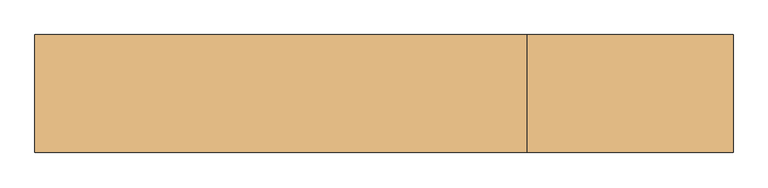
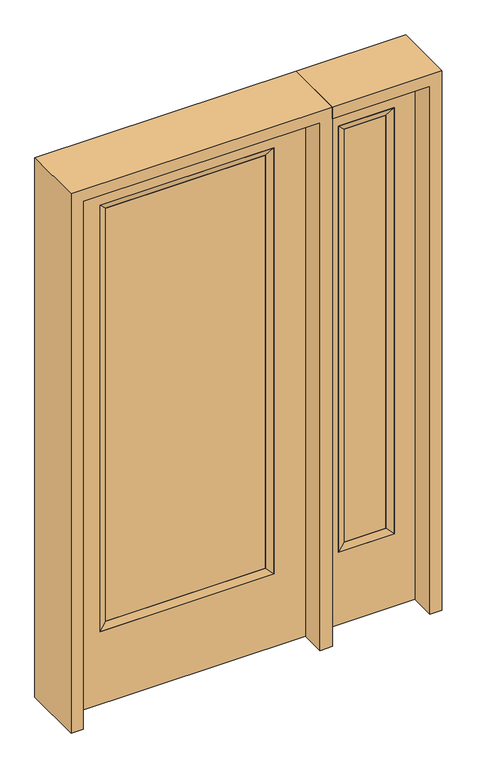
"""IFC4 building model written with IfcOpenShell, lengths in millimetres: door geometry."""

from ifc_helpers import new_model, si_unit, frame, origin, place, context, project, spatial, polyline, outline, extrude, faceted_brep, source, transform, mapped, element, save


def door_ce98c519(model_context):
    return source(origin(), model_context, "Body", "SolidModel", [
        extrude(outline(polyline([(290.9824, -12.7039749), (-290.9824, -12.7039749), (-290.9824, 14.2875), (290.9824, 14.2875), (290.9824, -12.7039749)])), frame((0.0, 0.0, 304.8), z_axis=(0.0, 0.0, 1.0), x_axis=(1.0, 0.0, 0.0)), (0.0, 0.0, 1.0), 1590.675),
        faceted_brep([(290.9824, 14.2875, 1895.475), (316.3824, 22.225, 1920.875), (316.3824, 22.225, 279.4), (290.9824, 14.2875, 304.8), (316.3824, -22.225, 1920.875), (316.3824, -22.225, 279.4), (-316.3824, 22.225, 279.4), (-290.9824, 14.2875, 304.8), (290.9824, -12.7039749, 1895.475), (290.9824, -12.7039749, 304.8), (-290.9824, -12.7039749, 304.8), (-316.3824, -22.225, 279.4), (-316.3824, 22.225, 1920.875), (-290.9824, 14.2875, 1895.475), (-290.9824, -12.7039749, 1895.475), (-316.3824, -22.225, 1920.875)], [[[0, 1, 2, 3]], [[1, 4, 5, 2]], [[3, 2, 6, 7]], [[8, 0, 3, 9]], [[9, 3, 7, 10]], [[4, 8, 9, 5]], [[5, 9, 10, 11]], [[2, 5, 11, 6]], [[7, 6, 12, 13]], [[10, 7, 13, 14]], [[11, 10, 14, 15]], [[6, 11, 15, 12]], [[13, 12, 1, 0]], [[14, 13, 0, 8]], [[15, 14, 8, 4]], [[12, 15, 4, 1]]]),
        extrude(outline(polyline([(0.0, -431.8), (0.0, 431.8), (2032.0, 431.8), (2032.0, -431.8), (0.0, -431.8)]), holes=[polyline([(279.4, -316.3824), (1920.875, -316.3824), (1920.875, 316.3824), (279.4, 316.3824), (279.4, -316.3824)])]), frame((0.0, -22.225, 0.0), z_axis=(0.0, 1.0, 0.0), x_axis=(0.0, 0.0, 1.0)), (0.0, 0.0, 1.0), 44.45),
        faceted_brep([(552.45, 20.6375, 1920.875), (552.45, 20.6375, 279.4), (552.45, -20.6375, 279.4), (552.45, -20.6375, 1920.875), (577.85, -12.7, 304.8), (577.85, -12.7, 1895.475), (755.65, 20.6375, 279.4), (755.65, -20.6375, 279.4), (577.85, 12.7, 1895.475), (577.85, 12.7, 304.8), (730.25, 12.7, 304.8), (730.25, -12.7, 304.8), (755.65, 20.6375, 1920.875), (755.65, -20.6375, 1920.875), (730.25, 12.7, 1895.475), (730.25, -12.7, 1895.475)], [[[0, 1, 2, 3]], [[3, 2, 4, 5]], [[1, 6, 7, 2]], [[8, 9, 1, 0]], [[9, 10, 6, 1]], [[5, 4, 9, 8]], [[4, 11, 10, 9]], [[2, 7, 11, 4]], [[6, 12, 13, 7]], [[10, 14, 12, 6]], [[11, 15, 14, 10]], [[7, 13, 15, 11]], [[12, 0, 3, 13]], [[14, 8, 0, 12]], [[15, 5, 8, 14]], [[13, 3, 5, 15]]]),
        extrude(outline(polyline([(0.0, 831.85), (2032.0, 831.85), (2032.0, 476.25), (0.0, 476.25), (0.0, 831.85)]), holes=[polyline([(1920.875, 552.45), (1920.875, 755.65), (279.4, 755.65), (279.4, 552.45), (1920.875, 552.45)])]), frame((0.0, -20.6375, 0.0), z_axis=(0.0, 1.0, 0.0), x_axis=(0.0, 0.0, 1.0)), (0.0, 0.0, 1.0), 41.275),
        extrude(outline(polyline([(577.85, -12.7), (577.85, 12.7), (730.25, 12.7), (730.25, -12.7), (577.85, -12.7)])), frame((0.0, 0.0, 304.8), z_axis=(0.0, 0.0, 1.0), x_axis=(1.0, 0.0, 0.0)), (0.0, 0.0, 1.0), 1590.675),
        extrude(outline(polyline([(2076.45, -476.25), (0.0, -476.25), (0.0, -431.8), (2032.0, -431.8), (2032.0, 431.8), (0.0, 431.8), (0.0, 476.25), (2076.45, 476.25), (2076.45, -476.25)])), frame((0.0, -114.3, 0.0), z_axis=(0.0, 1.0, 0.0), x_axis=(0.0, 0.0, 1.0)), (0.0, 0.0, 1.0), 228.6),
        extrude(outline(polyline([(0.0, 831.85), (0.0, 876.3), (2076.45, 876.3), (2076.45, 476.25), (2032.0, 476.25), (2032.0, 831.85), (0.0, 831.85)])), frame((0.0, -114.3, 0.0), z_axis=(0.0, 1.0, 0.0), x_axis=(0.0, 0.0, 1.0)), (0.0, 0.0, 1.0), 228.6),
    ])


if __name__ == "__main__":
    model = new_model("IFC4")
    model_context = context("Model", 3, world=origin())
    ifc_project = project(units=[si_unit("LENGTHUNIT", "METRE", prefix="MILLI")], contexts=[model_context])
    site = spatial("IfcSite", under=ifc_project)
    building = spatial("IfcBuilding", under=site)
    placement = place(None, origin())
    door_shape = door_ce98c519(model_context)
    element("IfcDoor", 1, at=placement, inside=building, context=model_context, shape_type="MappedRepresentation", body=[
        mapped(door_shape, transform((0.0, 0.0, 0.0), x_axis=(1.0, 0.0, 0.0), y_axis=(0.0, 1.0, 0.0), z_axis=(0.0, 0.0, 1.0))),
    ])
    save(model, "model.ifc")
